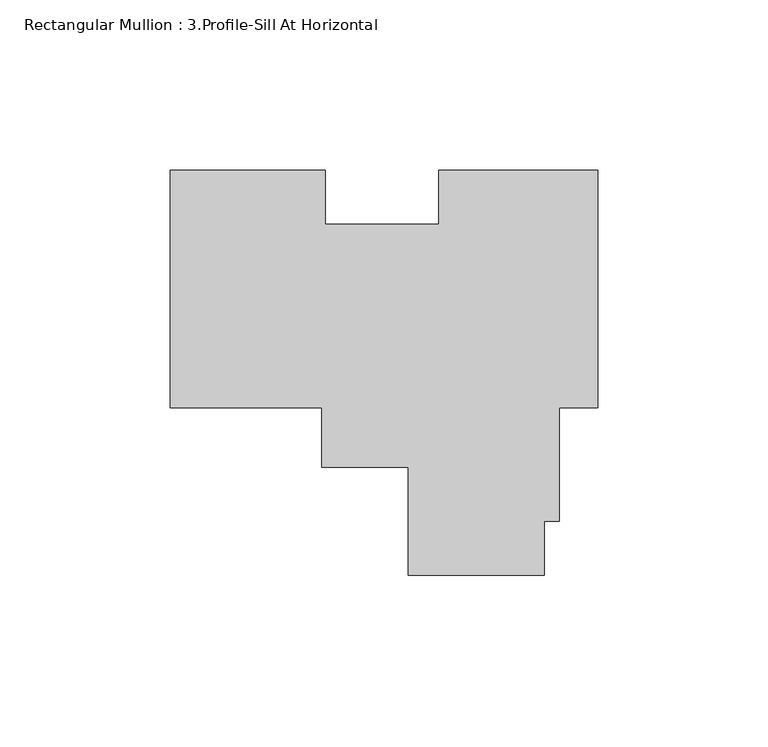
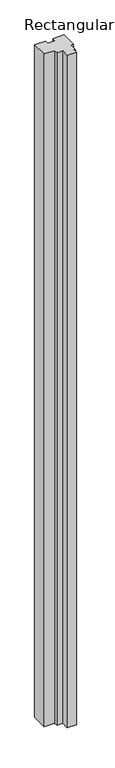
"""IFC4 building model written with IfcOpenShell, lengths in millimetres: member geometry, Rectangular Mullion : 3.Profile-Sill At Horizontal."""

import ifcopenshell
import ifcopenshell.guid

model = None  # the IFC model being written
_history = None  # IfcOwnerHistory: only IFC2X3 demands one
_inside = {}  # id of a spatial element -> (the spatial element, [elements in it])
_under = {}  # id of a project, library or spatial element -> (it, [spatial elements below it])
_declared = {}  # id of a project -> (the project, [libraries it declares])
_typed = {}  # id of a type object -> (the type object, [elements of that type])
_made_of = {}  # id of a material, layer set ... -> (it, [elements and type objects made of it])


def new_model(schema):
    """Start an empty IFC model of exactly this schema.

    Asked for "IFC4X3", IfcOpenShell would pick the latest addendum, in which some entities
    have other attributes; the version numbers below select the first issue.
    IFC2X3 requires an IfcOwnerHistory on every rooted entity: one is made here for all.
    """
    global model, _history
    if schema == "IFC4X3":
        model = ifcopenshell.file(schema_version=(4, 3, 0, 0))
    else:
        model = ifcopenshell.file(schema=schema)
    _inside.clear()
    _under.clear()
    _declared.clear()
    _typed.clear()
    _made_of.clear()
    _history = None
    if model.schema == "IFC2X3":
        org = make("IfcOrganization", Name="unknown")
        user = make(
            "IfcPersonAndOrganization",
            ThePerson=make("IfcPerson", FamilyName="unknown"),
            TheOrganization=org,
        )
        app = make(
            "IfcApplication",
            ApplicationDeveloper=org,
            Version="unknown",
            ApplicationFullName="unknown",
            ApplicationIdentifier="unknown",
        )
        _history = make(
            "IfcOwnerHistory",
            OwningUser=user,
            OwningApplication=app,
            ChangeAction="ADDED",
            CreationDate=0,
        )
    return model


def make(cls, **values):
    """One entity of the class cls with the attributes given. An attribute that is None is left unset."""
    return model.create_entity(
        cls, **{name: value for name, value in values.items() if value is not None}
    )


def rooted(cls, **values):
    """An entity with a GlobalId (a new one), such as an element, a storey or a relation."""
    return make(cls, GlobalId=ifcopenshell.guid.new(), OwnerHistory=_history, **values)


def si_unit(unit_type, name, prefix=None):
    """IfcSIUnit, for example si_unit("LENGTHUNIT", "METRE", prefix="MILLI")."""
    return make("IfcSIUnit", UnitType=unit_type, Prefix=prefix, Name=name)


def assignment(units):
    """IfcUnitAssignment: the units of a project."""
    return None if units is None else make("IfcUnitAssignment", Units=units)


def point(xyz):
    """IfcCartesianPoint."""
    return None if xyz is None else make("IfcCartesianPoint", Coordinates=xyz)


def direction(xyz):
    """IfcDirection."""
    return None if xyz is None else make("IfcDirection", DirectionRatios=xyz)


def frame(location, z_axis=None, x_axis=None):
    """IfcAxis2Placement3D, a coordinate frame: its origin and axes. An axis left out is left unset."""
    return make(
        "IfcAxis2Placement3D",
        Location=point(location),
        Axis=direction(z_axis),
        RefDirection=direction(x_axis),
    )


def origin():
    """The frame at (0, 0, 0) with its axes left unset."""
    return frame((0.0, 0.0, 0.0))


def place(relative_to, where):
    """IfcLocalPlacement: puts the frame where relative to a parent placement (None: the world)."""
    return make(
        "IfcLocalPlacement", PlacementRelTo=relative_to, RelativePlacement=where
    )


def context(
    kind, dimensions, precision=None, world=None, true_north=None, identifier=None
):
    """IfcGeometricRepresentationContext, for example the 3D "Model" context."""
    return make(
        "IfcGeometricRepresentationContext",
        ContextIdentifier=identifier,
        ContextType=kind,
        CoordinateSpaceDimension=dimensions,
        Precision=precision,
        WorldCoordinateSystem=world,
        TrueNorth=true_north,
    )


def project(units=None, contexts=None):
    """IfcProject with its units and contexts."""
    return rooted(
        "IfcProject",
        Name="project",
        RepresentationContexts=contexts,
        UnitsInContext=assignment(units),
    )


def spatial(cls, under=None, at=None, **own):
    """A site, building, storey or space (cls), placed at a placement, below another one or the project."""
    s = rooted(cls, ObjectPlacement=at, **own)
    if under is not None:
        _under.setdefault(under.id(), (under, []))[1].append(s)
    return s


def polyline(points):
    """IfcPolyline through the points."""
    return make("IfcPolyline", Points=[point(p) for p in points])


def outline(outer, holes=None, kind="AREA"):
    """IfcArbitraryClosedProfileDef: a profile drawn as a closed curve; with holes, ...WithVoids."""
    if holes is None:
        return make("IfcArbitraryClosedProfileDef", ProfileType=kind, OuterCurve=outer)
    return make(
        "IfcArbitraryProfileDefWithVoids",
        ProfileType=kind,
        OuterCurve=outer,
        InnerCurves=holes,
    )


def extrude(swept, where, along, depth):
    """IfcExtrudedAreaSolid: the profile swept, set in the frame where, extruded along a direction by depth."""
    return make(
        "IfcExtrudedAreaSolid",
        SweptArea=swept,
        Position=where,
        ExtrudedDirection=direction(along),
        Depth=depth,
    )


def shape(context_of_items, identifier, shape_type, items):
    """IfcShapeRepresentation: the items that make up one representation, for example the "Body"."""
    return make(
        "IfcShapeRepresentation",
        ContextOfItems=context_of_items,
        RepresentationIdentifier=identifier,
        RepresentationType=shape_type,
        Items=items,
    )


def source(mapping_origin, context_of_items, identifier, shape_type, items):
    """IfcRepresentationMap: a shape defined once, which mapped items show again and again."""
    return make(
        "IfcRepresentationMap",
        MappingOrigin=mapping_origin,
        MappedRepresentation=shape(context_of_items, identifier, shape_type, items),
    )


def transform(
    local_origin,
    x_axis=None,
    y_axis=None,
    z_axis=None,
    scale=None,
    scale2=None,
    scale3=None,
    uniform=True,
):
    """IfcCartesianTransformationOperator3D, or its non-uniform kind. x_axis, y_axis, z_axis: its Axis1, 2, 3."""
    if uniform:
        return make(
            "IfcCartesianTransformationOperator3D",
            Axis1=direction(x_axis),
            Axis2=direction(y_axis),
            LocalOrigin=point(local_origin),
            Scale=scale,
            Axis3=direction(z_axis),
        )
    return make(
        "IfcCartesianTransformationOperator3DnonUniform",
        Axis1=direction(x_axis),
        Axis2=direction(y_axis),
        LocalOrigin=point(local_origin),
        Scale=scale,
        Axis3=direction(z_axis),
        Scale2=scale2,
        Scale3=scale3,
    )


def mapped(mapping_source, mapping_target):
    """IfcMappedItem: shows the shape of a source again, moved by a transform."""
    return make(
        "IfcMappedItem", MappingSource=mapping_source, MappingTarget=mapping_target
    )


def made_of(thing, what):
    """Note that an element or type object is made of a material, layer set ...; save() writes the relation."""
    if what is not None:
        _made_of.setdefault(what.id(), (what, []))[1].append(thing)
    return thing


def element(
    cls,
    number,
    at=None,
    inside=None,
    cuts=None,
    type_object=None,
    material=None,
    context=None,
    identifier="Body",
    shape_type=None,
    held_by="IfcProductDefinitionShape",
    body=None,
    shapes=None,
    **own,
):
    """One element of the class cls, such as IfcWall. Its Tag is "e" and its number.

    at: its placement. inside: the storey or other place that contains it. cuts: it is an
    opening in that element (IfcRelVoidsElement). A single representation is given by context,
    identifier, shape_type and body (its items); several are given by shapes. held_by: the class
    of the entity that holds the representations. save() writes the other relations.
    """
    e = rooted(cls, Tag="e%d" % number, ObjectPlacement=at, **own)
    if body is not None:
        shapes = [shape(context, identifier, shape_type, body)]
    if shapes is not None:
        e.Representation = make(held_by, Representations=shapes)
    if inside is not None:
        _inside.setdefault(inside.id(), (inside, []))[1].append(e)
    if cuts is not None:
        rooted(
            "IfcRelVoidsElement", RelatingBuildingElement=cuts, RelatedOpeningElement=e
        )
    if type_object is not None:
        _typed.setdefault(type_object.id(), (type_object, []))[1].append(e)
    return made_of(e, material)


def aggregate(whole, parts):
    """IfcRelAggregates: a whole, such as a stair, and the parts it consists of."""
    return rooted("IfcRelAggregates", RelatingObject=whole, RelatedObjects=parts)


def save(model, path):
    """Write the relations noted so far, then the file.

    IfcRelAggregates (storeys below a building ...), IfcRelContainedInSpatialStructure (elements
    in a storey), IfcRelDefinesByType, IfcRelAssociatesMaterial and IfcRelDeclares: one each for
    every whole, place, type object, material and project.
    """
    for whole, parts in _under.values():
        aggregate(whole, parts)
    for where, things in _inside.values():
        rooted(
            "IfcRelContainedInSpatialStructure",
            RelatedElements=things,
            RelatingStructure=where,
        )
    for kind, things in _typed.values():
        rooted("IfcRelDefinesByType", RelatedObjects=things, RelatingType=kind)
    for what, things in _made_of.values():
        rooted("IfcRelAssociatesMaterial", RelatedObjects=things, RelatingMaterial=what)
    for by, libraries in _declared.values():
        rooted("IfcRelDeclares", RelatingContext=by, RelatedDefinitions=libraries)
    model.write(path)


def rectangular_mullion_3_profile_sill_at_horizontal_abee9562(model_context):
    return source(origin(), model_context, "Body", "SweptSolid", [
        extrude(outline(polyline([(-125.7808, 34.925), (-80.20749, 34.925), (-80.20749, 19.05), (-46.8444686, 19.05), (-46.8444686, 34.925), (0.0, 34.925), (0.0, -34.925), (-11.2966018, -34.925), (-11.2966018, -68.2742795), (-15.7416018, -68.2742795), (-15.7416018, -84.14837), (-55.7466018, -84.14837), (-55.7466018, -52.4002), (-81.1385794, -52.4002), (-81.1385794, -34.925), (-125.7808, -34.925), (-125.7808, 34.925)])), frame((0.0, 0.0, -3048.0), z_axis=(0.0, 0.0, 1.0), x_axis=(1.0, 0.0, 0.0)), (0.0, 0.0, 1.0), 3048.0),
    ])


if __name__ == "__main__":
    model = new_model("IFC4")
    model_context = context("Model", 3, world=origin())
    ifc_project = project(units=[si_unit("LENGTHUNIT", "METRE", prefix="MILLI")], contexts=[model_context])
    site = spatial("IfcSite", under=ifc_project)
    building = spatial("IfcBuilding", under=site)
    placement = place(None, origin())
    rectangular_mullion_3_profile_sill_at_horizontal_shape = rectangular_mullion_3_profile_sill_at_horizontal_abee9562(model_context)
    element("IfcMember", 1, ObjectType="Rectangular Mullion : 3.Profile-Sill At Horizontal", at=placement, inside=building, context=model_context, shape_type="MappedRepresentation", body=[
        mapped(rectangular_mullion_3_profile_sill_at_horizontal_shape, transform((0.0, 0.0, 0.0), x_axis=(1.0, 0.0, 0.0), y_axis=(0.0, 1.0, 0.0), z_axis=(0.0, 0.0, 1.0))),
    ])
    save(model, "model.ifc")
